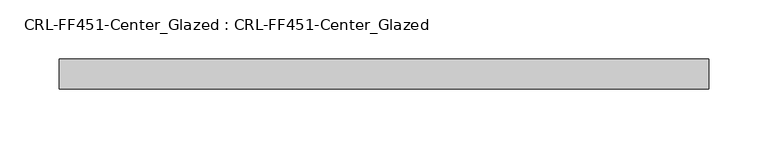
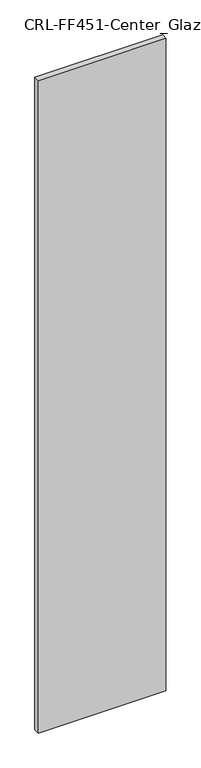
"""IFC4 building model written with IfcOpenShell, lengths in millimetres: plate geometry, CRL-FF451-Center_Glazed : CRL-FF451-Center_Glazed."""

from ifc_helpers import new_model, si_unit, origin, origin_with_axes, place, context, project, spatial, polyline, outline, extrude, source, transform, mapped, element, save


def crl_ff451_center_glazed_crl_ff451_center_glazed_d1d34865(model_context):
    return source(origin(), model_context, "Body", "SweptSolid", [
        extrude(outline(polyline([(-273.8162035, 12.709956), (273.8162035, 12.709956), (273.8162035, -12.709956), (-273.8162035, -12.709956), (-273.8162035, 12.709956)])), origin_with_axes(), (0.0, 0.0, 1.0), 2959.090259),
    ])


if __name__ == "__main__":
    model = new_model("IFC4")
    model_context = context("Model", 3, world=origin())
    ifc_project = project(units=[si_unit("LENGTHUNIT", "METRE", prefix="MILLI")], contexts=[model_context])
    site = spatial("IfcSite", under=ifc_project)
    building = spatial("IfcBuilding", under=site)
    placement = place(None, origin())
    crl_ff451_center_glazed_crl_ff451_center_glazed_shape = crl_ff451_center_glazed_crl_ff451_center_glazed_d1d34865(model_context)
    element("IfcPlate", 1, ObjectType="CRL-FF451-Center_Glazed : CRL-FF451-Center_Glazed", at=placement, inside=building, context=model_context, shape_type="MappedRepresentation", body=[
        mapped(crl_ff451_center_glazed_crl_ff451_center_glazed_shape, transform((0.0, 0.0, 0.0), x_axis=(1.0, 0.0, 0.0), y_axis=(0.0, 1.0, 0.0), z_axis=(0.0, 0.0, 1.0))),
    ])
    save(model, "model.ifc")
